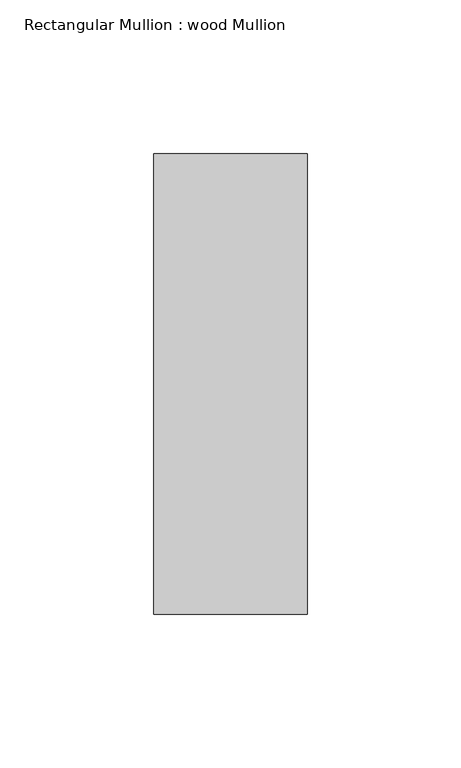
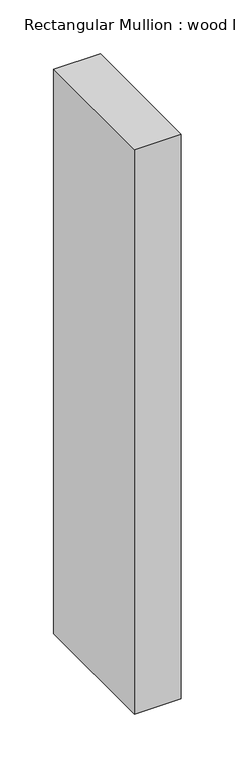
"""IFC4 building model written with IfcOpenShell, lengths in millimetres: member geometry, Rectangular Mullion : wood Mullion."""

import ifcopenshell
import ifcopenshell.guid

model = None  # the IFC model being written
_history = None  # IfcOwnerHistory: only IFC2X3 demands one
_inside = {}  # id of a spatial element -> (the spatial element, [elements in it])
_under = {}  # id of a project, library or spatial element -> (it, [spatial elements below it])
_declared = {}  # id of a project -> (the project, [libraries it declares])
_typed = {}  # id of a type object -> (the type object, [elements of that type])
_made_of = {}  # id of a material, layer set ... -> (it, [elements and type objects made of it])


def new_model(schema):
    """Start an empty IFC model of exactly this schema.

    Asked for "IFC4X3", IfcOpenShell would pick the latest addendum, in which some entities
    have other attributes; the version numbers below select the first issue.
    IFC2X3 requires an IfcOwnerHistory on every rooted entity: one is made here for all.
    """
    global model, _history
    if schema == "IFC4X3":
        model = ifcopenshell.file(schema_version=(4, 3, 0, 0))
    else:
        model = ifcopenshell.file(schema=schema)
    _inside.clear()
    _under.clear()
    _declared.clear()
    _typed.clear()
    _made_of.clear()
    _history = None
    if model.schema == "IFC2X3":
        org = make("IfcOrganization", Name="unknown")
        user = make(
            "IfcPersonAndOrganization",
            ThePerson=make("IfcPerson", FamilyName="unknown"),
            TheOrganization=org,
        )
        app = make(
            "IfcApplication",
            ApplicationDeveloper=org,
            Version="unknown",
            ApplicationFullName="unknown",
            ApplicationIdentifier="unknown",
        )
        _history = make(
            "IfcOwnerHistory",
            OwningUser=user,
            OwningApplication=app,
            ChangeAction="ADDED",
            CreationDate=0,
        )
    return model


def make(cls, **values):
    """One entity of the class cls with the attributes given. An attribute that is None is left unset."""
    return model.create_entity(
        cls, **{name: value for name, value in values.items() if value is not None}
    )


def rooted(cls, **values):
    """An entity with a GlobalId (a new one), such as an element, a storey or a relation."""
    return make(cls, GlobalId=ifcopenshell.guid.new(), OwnerHistory=_history, **values)


def si_unit(unit_type, name, prefix=None):
    """IfcSIUnit, for example si_unit("LENGTHUNIT", "METRE", prefix="MILLI")."""
    return make("IfcSIUnit", UnitType=unit_type, Prefix=prefix, Name=name)


def assignment(units):
    """IfcUnitAssignment: the units of a project."""
    return None if units is None else make("IfcUnitAssignment", Units=units)


def point(xyz):
    """IfcCartesianPoint."""
    return None if xyz is None else make("IfcCartesianPoint", Coordinates=xyz)


def direction(xyz):
    """IfcDirection."""
    return None if xyz is None else make("IfcDirection", DirectionRatios=xyz)


def frame(location, z_axis=None, x_axis=None):
    """IfcAxis2Placement3D, a coordinate frame: its origin and axes. An axis left out is left unset."""
    return make(
        "IfcAxis2Placement3D",
        Location=point(location),
        Axis=direction(z_axis),
        RefDirection=direction(x_axis),
    )


def origin():
    """The frame at (0, 0, 0) with its axes left unset."""
    return frame((0.0, 0.0, 0.0))


def place(relative_to, where):
    """IfcLocalPlacement: puts the frame where relative to a parent placement (None: the world)."""
    return make(
        "IfcLocalPlacement", PlacementRelTo=relative_to, RelativePlacement=where
    )


def context(
    kind, dimensions, precision=None, world=None, true_north=None, identifier=None
):
    """IfcGeometricRepresentationContext, for example the 3D "Model" context."""
    return make(
        "IfcGeometricRepresentationContext",
        ContextIdentifier=identifier,
        ContextType=kind,
        CoordinateSpaceDimension=dimensions,
        Precision=precision,
        WorldCoordinateSystem=world,
        TrueNorth=true_north,
    )


def project(units=None, contexts=None):
    """IfcProject with its units and contexts."""
    return rooted(
        "IfcProject",
        Name="project",
        RepresentationContexts=contexts,
        UnitsInContext=assignment(units),
    )


def spatial(cls, under=None, at=None, **own):
    """A site, building, storey or space (cls), placed at a placement, below another one or the project."""
    s = rooted(cls, ObjectPlacement=at, **own)
    if under is not None:
        _under.setdefault(under.id(), (under, []))[1].append(s)
    return s


def polyline(points):
    """IfcPolyline through the points."""
    return make("IfcPolyline", Points=[point(p) for p in points])


def outline(outer, holes=None, kind="AREA"):
    """IfcArbitraryClosedProfileDef: a profile drawn as a closed curve; with holes, ...WithVoids."""
    if holes is None:
        return make("IfcArbitraryClosedProfileDef", ProfileType=kind, OuterCurve=outer)
    return make(
        "IfcArbitraryProfileDefWithVoids",
        ProfileType=kind,
        OuterCurve=outer,
        InnerCurves=holes,
    )


def extrude(swept, where, along, depth):
    """IfcExtrudedAreaSolid: the profile swept, set in the frame where, extruded along a direction by depth."""
    return make(
        "IfcExtrudedAreaSolid",
        SweptArea=swept,
        Position=where,
        ExtrudedDirection=direction(along),
        Depth=depth,
    )


def shape(context_of_items, identifier, shape_type, items):
    """IfcShapeRepresentation: the items that make up one representation, for example the "Body"."""
    return make(
        "IfcShapeRepresentation",
        ContextOfItems=context_of_items,
        RepresentationIdentifier=identifier,
        RepresentationType=shape_type,
        Items=items,
    )


def source(mapping_origin, context_of_items, identifier, shape_type, items):
    """IfcRepresentationMap: a shape defined once, which mapped items show again and again."""
    return make(
        "IfcRepresentationMap",
        MappingOrigin=mapping_origin,
        MappedRepresentation=shape(context_of_items, identifier, shape_type, items),
    )


def transform(
    local_origin,
    x_axis=None,
    y_axis=None,
    z_axis=None,
    scale=None,
    scale2=None,
    scale3=None,
    uniform=True,
):
    """IfcCartesianTransformationOperator3D, or its non-uniform kind. x_axis, y_axis, z_axis: its Axis1, 2, 3."""
    if uniform:
        return make(
            "IfcCartesianTransformationOperator3D",
            Axis1=direction(x_axis),
            Axis2=direction(y_axis),
            LocalOrigin=point(local_origin),
            Scale=scale,
            Axis3=direction(z_axis),
        )
    return make(
        "IfcCartesianTransformationOperator3DnonUniform",
        Axis1=direction(x_axis),
        Axis2=direction(y_axis),
        LocalOrigin=point(local_origin),
        Scale=scale,
        Axis3=direction(z_axis),
        Scale2=scale2,
        Scale3=scale3,
    )


def mapped(mapping_source, mapping_target):
    """IfcMappedItem: shows the shape of a source again, moved by a transform."""
    return make(
        "IfcMappedItem", MappingSource=mapping_source, MappingTarget=mapping_target
    )


def made_of(thing, what):
    """Note that an element or type object is made of a material, layer set ...; save() writes the relation."""
    if what is not None:
        _made_of.setdefault(what.id(), (what, []))[1].append(thing)
    return thing


def element(
    cls,
    number,
    at=None,
    inside=None,
    cuts=None,
    type_object=None,
    material=None,
    context=None,
    identifier="Body",
    shape_type=None,
    held_by="IfcProductDefinitionShape",
    body=None,
    shapes=None,
    **own,
):
    """One element of the class cls, such as IfcWall. Its Tag is "e" and its number.

    at: its placement. inside: the storey or other place that contains it. cuts: it is an
    opening in that element (IfcRelVoidsElement). A single representation is given by context,
    identifier, shape_type and body (its items); several are given by shapes. held_by: the class
    of the entity that holds the representations. save() writes the other relations.
    """
    e = rooted(cls, Tag="e%d" % number, ObjectPlacement=at, **own)
    if body is not None:
        shapes = [shape(context, identifier, shape_type, body)]
    if shapes is not None:
        e.Representation = make(held_by, Representations=shapes)
    if inside is not None:
        _inside.setdefault(inside.id(), (inside, []))[1].append(e)
    if cuts is not None:
        rooted(
            "IfcRelVoidsElement", RelatingBuildingElement=cuts, RelatedOpeningElement=e
        )
    if type_object is not None:
        _typed.setdefault(type_object.id(), (type_object, []))[1].append(e)
    return made_of(e, material)


def aggregate(whole, parts):
    """IfcRelAggregates: a whole, such as a stair, and the parts it consists of."""
    return rooted("IfcRelAggregates", RelatingObject=whole, RelatedObjects=parts)


def save(model, path):
    """Write the relations noted so far, then the file.

    IfcRelAggregates (storeys below a building ...), IfcRelContainedInSpatialStructure (elements
    in a storey), IfcRelDefinesByType, IfcRelAssociatesMaterial and IfcRelDeclares: one each for
    every whole, place, type object, material and project.
    """
    for whole, parts in _under.values():
        aggregate(whole, parts)
    for where, things in _inside.values():
        rooted(
            "IfcRelContainedInSpatialStructure",
            RelatedElements=things,
            RelatingStructure=where,
        )
    for kind, things in _typed.values():
        rooted("IfcRelDefinesByType", RelatedObjects=things, RelatingType=kind)
    for what, things in _made_of.values():
        rooted("IfcRelAssociatesMaterial", RelatedObjects=things, RelatingMaterial=what)
    for by, libraries in _declared.values():
        rooted("IfcRelDeclares", RelatingContext=by, RelatedDefinitions=libraries)
    model.write(path)


def rectangular_mullion_wood_mullion_2ef7bb9b(model_context):
    return source(origin(), model_context, "Body", "SweptSolid", [
        extrude(outline(polyline([(0.0, 75.0), (0.0, -75.0), (-50.0, -75.0), (-50.0, 75.0), (0.0, 75.0)])), frame((0.0, 0.0, -639.6636297), z_axis=(0.0, 0.0, 1.0), x_axis=(1.0, 0.0, 0.0)), (0.0, 0.0, 1.0), 639.6636297),
    ])


if __name__ == "__main__":
    model = new_model("IFC4")
    model_context = context("Model", 3, world=origin())
    ifc_project = project(units=[si_unit("LENGTHUNIT", "METRE", prefix="MILLI")], contexts=[model_context])
    site = spatial("IfcSite", under=ifc_project)
    building = spatial("IfcBuilding", under=site)
    placement = place(None, origin())
    rectangular_mullion_wood_mullion_shape = rectangular_mullion_wood_mullion_2ef7bb9b(model_context)
    element("IfcMember", 1, ObjectType="Rectangular Mullion : wood Mullion", at=placement, inside=building, context=model_context, shape_type="MappedRepresentation", body=[
        mapped(rectangular_mullion_wood_mullion_shape, transform((0.0, 0.0, 0.0), x_axis=(1.0, 0.0, 0.0), y_axis=(0.0, 1.0, 0.0), z_axis=(0.0, 0.0, 1.0))),
    ])
    save(model, "model.ifc")
